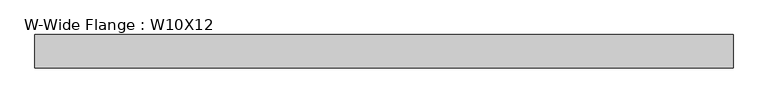
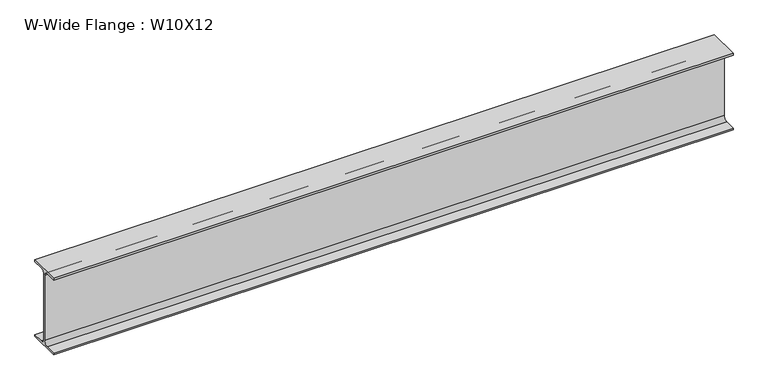
"""IFC4 building model written with IfcOpenShell, lengths in millimetres: beam geometry, W-Wide Flange : W10X12."""

from ifc_helpers import new_model, si_unit, point, frame, frame_2d, origin, place, context, project, spatial, polyline, circle_curve, trimmed, segment, composite_curve, outline, extrude, source, transform, mapped, element, save


def w_wide_flange_w10x12_a56aae8e(model_context):
    return source(origin(), model_context, "Body", "SweptSolid", [
        extrude(outline(composite_curve([segment(polyline([(50.3039062, -120.0050781), (50.3039062, -125.3628906), (-50.3039063, -125.3628906), (-50.3039063, -120.0050781), (-16.1230469, -120.0050781)]), True, "CONTINUOUS"), segment(trimmed(circle_curve(frame_2d((-16.1230469, -106.3128906)), 13.6921875), [point((-16.1230469, -120.0050781))], [point((-2.4308594, -106.3128906))], True, "CARTESIAN"), True, "CONTINUOUS"), segment(polyline([(-2.4308594, -106.3128906), (-2.4308594, 106.3128906)]), True, "CONTINUOUS"), segment(trimmed(circle_curve(frame_2d((-16.1230469, 106.3128906)), 13.6921875), [point((-2.4308594, 106.3128906))], [point((-16.1230469, 120.0050781))], True, "CARTESIAN"), True, "CONTINUOUS"), segment(polyline([(-16.1230469, 120.0050781), (-50.3039063, 120.0050781), (-50.3039063, 125.3628906), (50.3039062, 125.3628906), (50.3039062, 120.0050781), (16.1230469, 120.0050781)]), True, "CONTINUOUS"), segment(trimmed(circle_curve(frame_2d((16.1230469, 106.3128906)), 13.6921875), [point((16.1230469, 120.0050781))], [point((2.4308594, 106.3128906))], True, "CARTESIAN"), True, "CONTINUOUS"), segment(polyline([(2.4308594, 106.3128906), (2.4308594, -106.3128906)]), True, "CONTINUOUS"), segment(trimmed(circle_curve(frame_2d((16.1230469, -106.3128906)), 13.6921875), [point((2.4308594, -106.3128906))], [point((16.1230469, -120.0050781))], True, "CARTESIAN"), True, "CONTINUOUS"), segment(polyline([(16.1230469, -120.0050781), (50.3039062, -120.0050781)]), True, "CONTINUOUS")], self_intersect=False)), frame((-1047.0058594, 0.0, 0.0), z_axis=(1.0, 0.0, 0.0), x_axis=(0.0, 1.0, 0.0)), (0.0, 0.0, 1.0), 2113.8058594),
    ])


if __name__ == "__main__":
    model = new_model("IFC4")
    model_context = context("Model", 3, world=origin())
    ifc_project = project(units=[si_unit("LENGTHUNIT", "METRE", prefix="MILLI")], contexts=[model_context])
    site = spatial("IfcSite", under=ifc_project)
    building = spatial("IfcBuilding", under=site)
    placement = place(None, origin())
    w_wide_flange_w10x12_shape = w_wide_flange_w10x12_a56aae8e(model_context)
    element("IfcBeam", 1, ObjectType="W-Wide Flange : W10X12", at=placement, inside=building, context=model_context, shape_type="MappedRepresentation", body=[
        mapped(w_wide_flange_w10x12_shape, transform((0.0, 0.0, 0.0), x_axis=(1.0, 0.0, 0.0), y_axis=(0.0, 1.0, 0.0), z_axis=(0.0, 0.0, 1.0))),
    ])
    save(model, "model.ifc")
